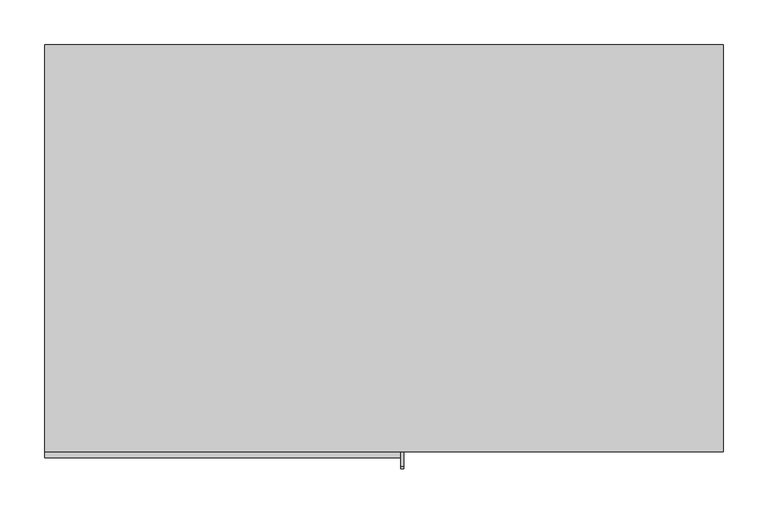
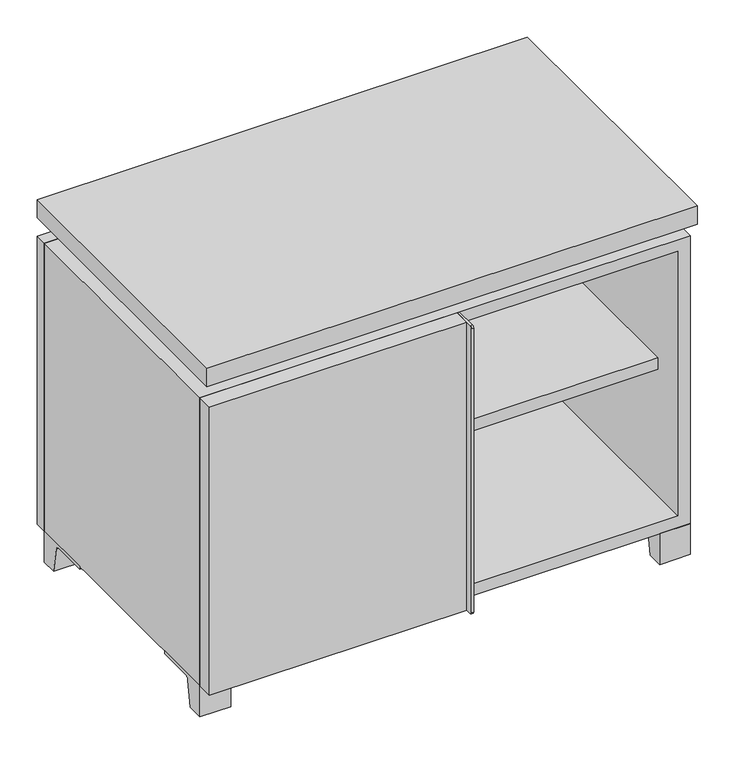
"""IFC4 building model written with IfcOpenShell, lengths in millimetres: furniture geometry."""

from ifc_helpers import new_model, si_unit, point, frame, frame_2d, origin, place, context, project, spatial, polyline, circle_curve, trimmed, segment, composite_curve, outline, extrude, faceted_brep, source, transform, mapped, element, save


def furniture_9cb85181(model_context):
    return source(origin(), model_context, "Body", "SolidModel", [
        extrude(outline(polyline([(9.5319453, 241.3), (361.9569453, 241.3), (361.9569453, -92.075), (9.5319453, -92.075), (9.5319453, 241.3)])), frame((0.0, 0.0, 277.8125), z_axis=(0.0, 0.0, 1.0), x_axis=(1.0, 0.0, 0.0)), (0.0, 0.0, 1.0), 19.05),
        extrude(outline(polyline([(-9.5041641, 241.3), (-9.5041641, -92.075), (-361.9291641, -92.075), (-361.9291641, 241.3), (-9.5041641, 241.3)])), frame((0.0, 0.0, 277.8125), z_axis=(0.0, 0.0, 1.0), x_axis=(1.0, 0.0, 0.0)), (0.0, 0.0, 1.0), 19.05),
        extrude(outline(polyline([(381.0138906, 292.1), (381.0138906, -165.1), (-380.9861094, -165.1), (-380.9861094, 292.1), (381.0138906, 292.1)])), frame((0.0, 0.0, 554.0375), z_axis=(0.0, 0.0, 1.0), x_axis=(1.0, 0.0, 0.0)), (0.0, 0.0, 1.0), 30.1625),
        extrude(outline(composite_curve([segment(polyline([(-146.05, 523.875), (-146.05, 50.8), (-180.975, 50.8)]), True, "CONTINUOUS"), segment(trimmed(circle_curve(frame_2d((-180.975, 53.975)), 3.175), [point((-180.975, 50.8))], [point((-184.15, 53.975))], False, "CARTESIAN"), True, "CONTINUOUS"), segment(polyline([(-184.15, 53.975), (-184.15, 520.7)]), True, "CONTINUOUS"), segment(trimmed(circle_curve(frame_2d((-180.975, 520.7)), 3.175), [point((-184.15, 520.7))], [point((-180.975, 523.875))], False, "CARTESIAN"), True, "CONTINUOUS"), segment(polyline([(-180.975, 523.875), (-146.05, 523.875)]), True, "CONTINUOUS")], self_intersect=False)), frame((19.0638906, 0.0, 0.0), z_axis=(1.0, 0.0, 0.0), x_axis=(0.0, 1.0, 0.0)), (0.0, 0.0, 1.0), 3.175),
        extrude(outline(polyline([(-380.9861094, -146.05), (19.0638906, -146.05), (19.0638906, -171.45), (-380.9861094, -171.45), (-380.9861094, -146.05)])), frame((0.0, 0.0, 50.8), z_axis=(0.0, 0.0, 1.0), x_axis=(1.0, 0.0, 0.0)), (0.0, 0.0, 1.0), 473.075),
        extrude(outline(composite_curve([segment(polyline([(-120.6500136, 0.0), (-146.05, 0.0), (-146.05, 50.8), (-50.8, 50.8), (-50.8, 46.0213321), (-107.6005345, 46.0213321)]), True, "CONTINUOUS"), segment(trimmed(circle_curve(frame_2d((-107.6005345, 39.6713321)), 6.35), [point((-107.6005345, 46.0213321))], [point((-113.8641359, 40.7152656))], True, "CARTESIAN"), True, "CONTINUOUS"), segment(polyline([(-113.8641359, 40.7152656), (-120.6500136, 0.0)]), True, "CONTINUOUS")], self_intersect=False)), frame((333.3888906, 0.0, 0.0), z_axis=(1.0, 0.0, 0.0), x_axis=(0.0, 1.0, 0.0)), (0.0, 0.0, 1.0), 47.625),
        extrude(outline(composite_curve([segment(polyline([(247.6500136, 0.0), (240.8641359, 40.7152656)]), True, "CONTINUOUS"), segment(trimmed(circle_curve(frame_2d((234.6005345, 39.6713321)), 6.35), [point((240.8641359, 40.7152656))], [point((234.6005345, 46.0213321))], True, "CARTESIAN"), True, "CONTINUOUS"), segment(polyline([(234.6005345, 46.0213321), (177.8, 46.0213321), (177.8, 50.8), (273.05, 50.8), (273.05, 0.0), (247.6500136, 0.0)]), True, "CONTINUOUS")], self_intersect=False)), frame((333.3888906, 0.0, 0.0), z_axis=(1.0, 0.0, 0.0), x_axis=(0.0, 1.0, 0.0)), (0.0, 0.0, 1.0), 47.625),
        extrude(outline(composite_curve([segment(polyline([(-120.6500136, 0.0), (-146.05, 0.0), (-146.05, 50.8), (-50.8, 50.8), (-50.8, 46.0213321), (-107.6005345, 46.0213321)]), True, "CONTINUOUS"), segment(trimmed(circle_curve(frame_2d((-107.6005345, 39.6713321)), 6.35), [point((-107.6005345, 46.0213321))], [point((-113.8641359, 40.7152656))], True, "CARTESIAN"), True, "CONTINUOUS"), segment(polyline([(-113.8641359, 40.7152656), (-120.6500136, 0.0)]), True, "CONTINUOUS")], self_intersect=False)), frame((-380.9861094, 0.0, 0.0), z_axis=(1.0, 0.0, 0.0), x_axis=(0.0, 1.0, 0.0)), (0.0, 0.0, 1.0), 47.625),
        extrude(outline(composite_curve([segment(polyline([(247.6500136, 0.0), (240.8641359, 40.7152656)]), True, "CONTINUOUS"), segment(trimmed(circle_curve(frame_2d((234.6005345, 39.6713321)), 6.35), [point((240.8641359, 40.7152656))], [point((234.6005345, 46.0213321))], True, "CARTESIAN"), True, "CONTINUOUS"), segment(polyline([(234.6005345, 46.0213321), (177.8, 46.0213321), (177.8, 50.8), (273.05, 50.8), (273.05, 0.0), (247.6500136, 0.0)]), True, "CONTINUOUS")], self_intersect=False)), frame((-380.9861094, 0.0, 0.0), z_axis=(1.0, 0.0, 0.0), x_axis=(0.0, 1.0, 0.0)), (0.0, 0.0, 1.0), 47.625),
        faceted_brep([(7.9513906, -120.65, 554.0375), (7.9513906, -120.65, 523.875), (7.9513906, 53.975, 523.875), (7.9513906, 53.975, 554.0375), (7.9513906, 247.65, 523.875), (7.9513906, 247.65, 554.0375), (7.9513906, 73.025, 554.0375), (7.9513906, 73.025, 523.875), (-7.9236094, 247.65, 554.0375), (-7.9236094, 247.65, 523.875), (-7.9236094, 73.025, 523.875), (-7.9236094, 73.025, 554.0375), (-7.9236094, -120.65, 523.875), (-7.9236094, -120.65, 554.0375), (-7.9236094, 53.975, 554.0375), (-7.9236094, 53.975, 523.875), (-339.6833281, 73.025, 554.0375), (-339.7041641, 247.65, 554.0375), (-355.5791641, 247.65, 554.0375), (-355.5791641, -120.65, 554.0375), (-339.7041641, -120.65, 554.0375), (-339.7041641, 53.975, 554.0375), (339.7111094, 53.975, 554.0375), (339.7111094, -120.65, 554.0375), (355.5861094, -120.65, 554.0375), (355.5861094, 247.65, 554.0375), (339.7111094, 247.65, 554.0375), (339.7111094, 73.025, 554.0375), (-339.6833281, 53.975, 523.875), (-339.7041641, -120.65, 523.875), (-355.5791641, -120.65, 523.875), (-355.5791641, 247.65, 523.875), (-339.7041641, 247.65, 523.875), (-339.7041641, 73.025, 523.875), (339.7111094, 73.025, 523.875), (339.7111094, 247.65, 523.875), (355.5861094, 247.65, 523.875), (355.5861094, -120.65, 523.875), (339.7111094, -120.65, 523.875), (339.7111094, 53.975, 523.875)], [[[0, 1, 2, 3]], [[4, 5, 6, 7]], [[8, 9, 10, 11]], [[12, 13, 14, 15]], [[5, 8, 11, 16, 17, 18, 19, 20, 21, 14, 13, 0, 3, 22, 23, 24, 25, 26, 27, 6]], [[1, 12, 15, 28, 29, 30, 31, 32, 33, 10, 9, 4, 7, 34, 35, 36, 37, 38, 39, 2]], [[5, 4, 9, 8]], [[1, 0, 13, 12]], [[6, 27, 34, 7]], [[22, 3, 2, 39]], [[20, 29, 28, 21]], [[32, 17, 16, 33]], [[18, 31, 30, 19]], [[29, 20, 19, 30]], [[17, 32, 31, 18]], [[26, 35, 34, 27]], [[38, 23, 22, 39]], [[25, 24, 37, 36]], [[23, 38, 37, 24]], [[35, 26, 25, 36]], [[16, 11, 10, 33]], [[14, 21, 28, 15]]]),
        extrude(outline(polyline([(9.5388906, 241.3), (9.5388906, -95.25), (-9.5111094, -95.25), (-9.5111094, 241.3), (9.5388906, 241.3)])), frame((0.0, 0.0, 69.85), z_axis=(0.0, 0.0, 1.0), x_axis=(1.0, 0.0, 0.0)), (0.0, 0.0, 1.0), 434.975),
        extrude(outline(polyline([(15.8888906, -88.9), (15.8888906, -146.05), (-9.5111094, -146.05), (-9.5111094, -120.65), (3.1888906, -120.65), (3.1888906, -88.9), (15.8888906, -88.9)])), frame((0.0, 0.0, 69.85), z_axis=(0.0, 0.0, 1.0), x_axis=(1.0, 0.0, 0.0)), (0.0, 0.0, 1.0), 434.975),
        extrude(outline(polyline([(381.0138906, 273.05), (-380.9861094, 273.05), (-380.9861094, 292.1), (381.0138906, 292.1), (381.0138906, 273.05)])), frame((0.0, 0.0, 50.8), z_axis=(0.0, 0.0, 1.0), x_axis=(1.0, 0.0, 0.0)), (0.0, 0.0, 1.0), 473.075),
        extrude(outline(polyline([(50.8, -380.9861094), (50.8, 381.0), (523.875, 381.0), (523.875, -380.9861094), (50.8, -380.9861094)]), holes=[polyline([(69.85, -361.9361094), (504.825, -361.9361094), (504.825, 361.9361094), (69.85, 361.9361094), (69.85, -361.9361094)])]), frame((0.0, -146.05, 0.0), z_axis=(0.0, 1.0, 0.0), x_axis=(0.0, 0.0, 1.0)), (0.0, 0.0, 1.0), 419.1),
        extrude(outline(polyline([(-361.9291641, 241.3), (-361.9291641, 247.65), (361.9569453, 247.65), (361.9569453, 241.3), (-361.9291641, 241.3)])), frame((0.0, 0.0, 69.85), z_axis=(0.0, 0.0, 1.0), x_axis=(1.0, 0.0, 0.0)), (0.0, 0.0, 1.0), 434.975),
    ])


if __name__ == "__main__":
    model = new_model("IFC4")
    model_context = context("Model", 3, world=origin())
    ifc_project = project(units=[si_unit("LENGTHUNIT", "METRE", prefix="MILLI")], contexts=[model_context])
    site = spatial("IfcSite", under=ifc_project)
    building = spatial("IfcBuilding", under=site)
    placement = place(None, origin())
    furniture_shape = furniture_9cb85181(model_context)
    element("IfcFurniture", 1, at=placement, inside=building, context=model_context, shape_type="MappedRepresentation", body=[
        mapped(furniture_shape, transform((0.0, 0.0, 0.0), x_axis=(1.0, 0.0, 0.0), y_axis=(0.0, 1.0, 0.0), z_axis=(0.0, 0.0, 1.0))),
    ])
    save(model, "model.ifc")
